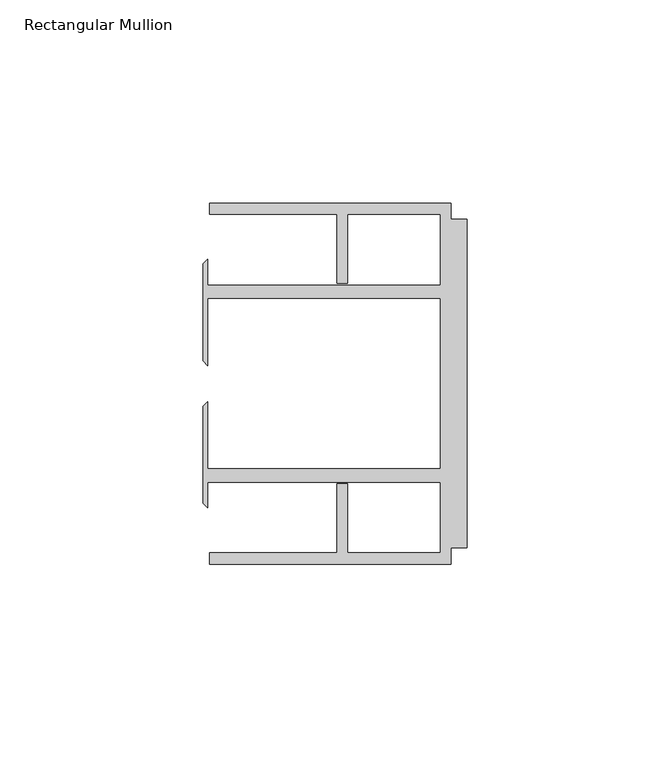
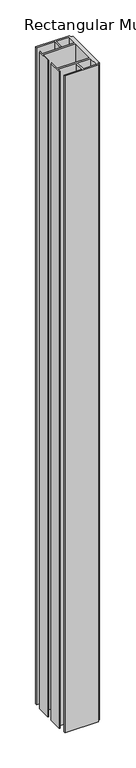
"""IFC4 building model written with IfcOpenShell, lengths in millimetres: member geometry, Rectangular Mullion."""

from ifc_helpers import new_model, si_unit, frame, origin, place, context, project, spatial, polyline, outline, extrude, source, transform, mapped, element, save


def rectangular_mullion_caf1a9b5(model_context):
    return source(origin(), model_context, "Body", "SweptSolid", [
        extrude(outline(polyline([(-4.0000001, 44.45), (-4.0000001, 40.4500013), (0.0, 40.4500013), (0.0, -40.4500013), (-4.0000001, -40.4500013), (-4.0000001, -44.45), (-63.5, -44.45), (-63.5, -41.6500013), (-32.0000002, -41.6500013), (-32.0000002, -24.6468758), (-29.4000001, -24.6468758), (-29.4000001, -41.6500013), (-6.6000002, -41.6500013), (-6.6000002, -24.2500008), (-63.9424102, -24.2500008), (-63.9424102, -30.6159585), (-65.0875, -29.4708687), (-65.0875, -5.5846059), (-63.9424102, -4.4395161), (-63.9424102, -20.9500007), (-6.6000002, -20.9500007), (-6.6000002, 20.9500007), (-63.9424102, 20.9500007), (-63.9424102, 4.4395161), (-65.0875, 5.5846059), (-65.0875, 29.4708687), (-63.9424102, 30.6159585), (-63.9424102, 24.2500008), (-6.6000002, 24.2500008), (-6.6000002, 41.6500013), (-29.4000001, 41.6500013), (-29.4000001, 24.6468758), (-32.0000002, 24.6468758), (-32.0000002, 41.6500013), (-63.5, 41.6500013), (-63.5, 44.45), (-4.0000001, 44.45)])), frame((0.0, 0.0, -1219.2), z_axis=(0.0, 0.0, 1.0), x_axis=(1.0, 0.0, 0.0)), (0.0, 0.0, 1.0), 1219.2),
    ])


if __name__ == "__main__":
    model = new_model("IFC4")
    model_context = context("Model", 3, world=origin())
    ifc_project = project(units=[si_unit("LENGTHUNIT", "METRE", prefix="MILLI")], contexts=[model_context])
    site = spatial("IfcSite", under=ifc_project)
    building = spatial("IfcBuilding", under=site)
    placement = place(None, origin())
    rectangular_mullion_shape = rectangular_mullion_caf1a9b5(model_context)
    element("IfcMember", 1, ObjectType="Rectangular Mullion", at=placement, inside=building, context=model_context, shape_type="MappedRepresentation", body=[
        mapped(rectangular_mullion_shape, transform((0.0, 0.0, 0.0), x_axis=(1.0, 0.0, 0.0), y_axis=(0.0, 1.0, 0.0), z_axis=(0.0, 0.0, 1.0))),
    ])
    save(model, "model.ifc")
